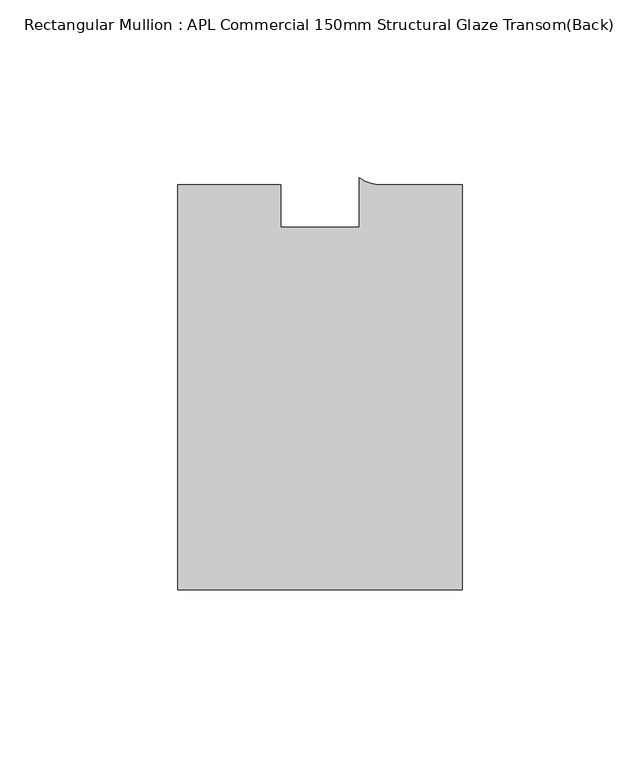
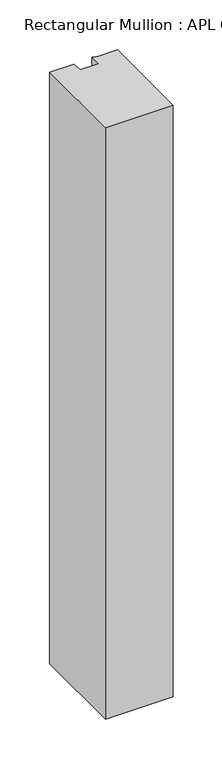
"""IFC4 building model written with IfcOpenShell, lengths in millimetres: member geometry, Rectangular Mullion : APL Commercial 150mm Structural Glaze Transom(Back)."""

from ifc_helpers import new_model, si_unit, point, frame, frame_2d, origin, place, context, project, spatial, polyline, circle_curve, trimmed, segment, composite_curve, outline, extrude, source, transform, mapped, element, save


def rectangular_mullion_apl_commercial_150mm_structural_glaze_34525f24(model_context):
    return source(origin(), model_context, "Body", "SweptSolid", [
        extrude(outline(composite_curve([segment(polyline([(40.0, -128.9999975), (-40.0, -128.9999975), (-40.0, -15.0000829), (-11.0000151, -15.0000829), (-11.0000151, -27.0), (11.0000151, -27.0), (11.0000151, -13.0673455)]), True, "CONTINUOUS"), segment(trimmed(circle_curve(frame_2d((17.1097719, -4.581653)), 10.4563907), [point((11.0000151, -13.0673455))], [point((17.9999542, -15.0000829))], True, "CARTESIAN"), True, "CONTINUOUS"), segment(polyline([(17.9999542, -15.0000829), (40.0, -15.0000829), (40.0, -128.9999975)]), True, "CONTINUOUS")], self_intersect=False)), frame((0.0, 0.0, -738.384151), z_axis=(0.0, 0.0, 1.0), x_axis=(1.0, 0.0, 0.0)), (0.0, 0.0, 1.0), 738.384151),
    ])


if __name__ == "__main__":
    model = new_model("IFC4")
    model_context = context("Model", 3, world=origin())
    ifc_project = project(units=[si_unit("LENGTHUNIT", "METRE", prefix="MILLI")], contexts=[model_context])
    site = spatial("IfcSite", under=ifc_project)
    building = spatial("IfcBuilding", under=site)
    placement = place(None, origin())
    rectangular_mullion_apl_commercial_150mm_structural_glaze_shape = rectangular_mullion_apl_commercial_150mm_structural_glaze_34525f24(model_context)
    element("IfcMember", 1, ObjectType="Rectangular Mullion : APL Commercial 150mm Structural Glaze Transom(Back)", at=placement, inside=building, context=model_context, shape_type="MappedRepresentation", body=[
        mapped(rectangular_mullion_apl_commercial_150mm_structural_glaze_shape, transform((0.0, 0.0, 0.0), x_axis=(1.0, 0.0, 0.0), y_axis=(0.0, 1.0, 0.0), z_axis=(0.0, 0.0, 1.0))),
    ])
    save(model, "model.ifc")
